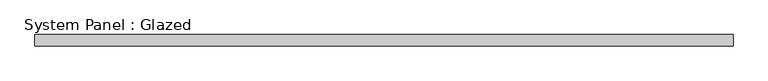
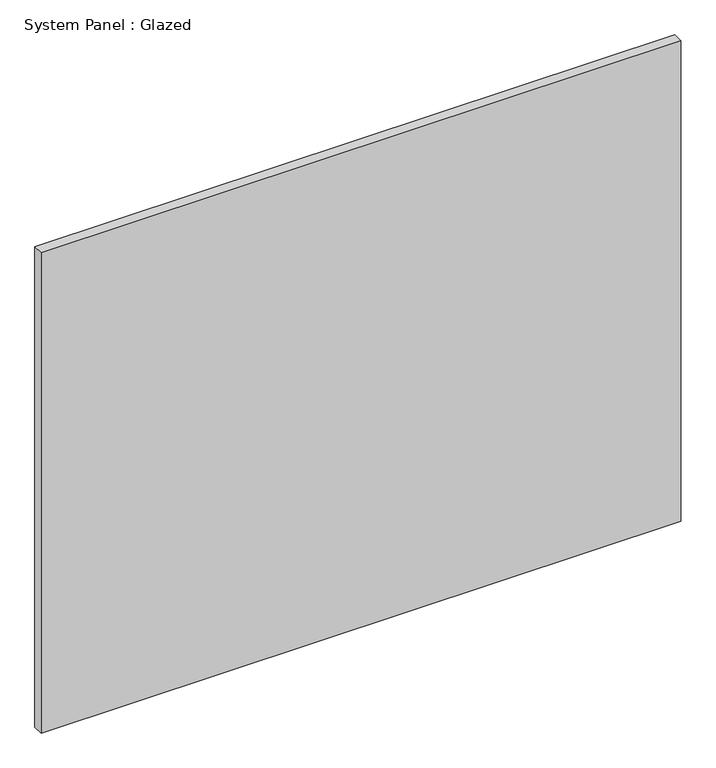
"""IFC4 building model written with IfcOpenShell, lengths in millimetres: plate geometry, System Panel : Glazed."""

from ifc_helpers import new_model, si_unit, origin, origin_with_axes, place, context, project, spatial, polyline, outline, extrude, source, transform, mapped, element, save


def system_panel_glazed_4ad6d596(model_context):
    return source(origin(), model_context, "Body", "SweptSolid", [
        extrude(outline(polyline([(768.35, 19.05), (-768.35, 19.05), (-768.35, 44.45), (768.35, 44.45), (768.35, 19.05)])), origin_with_axes(), (0.0, 0.0, 1.0), 1219.2),
    ])


if __name__ == "__main__":
    model = new_model("IFC4")
    model_context = context("Model", 3, world=origin())
    ifc_project = project(units=[si_unit("LENGTHUNIT", "METRE", prefix="MILLI")], contexts=[model_context])
    site = spatial("IfcSite", under=ifc_project)
    building = spatial("IfcBuilding", under=site)
    placement = place(None, origin())
    system_panel_glazed_shape = system_panel_glazed_4ad6d596(model_context)
    element("IfcPlate", 1, ObjectType="System Panel : Glazed", at=placement, inside=building, context=model_context, shape_type="MappedRepresentation", body=[
        mapped(system_panel_glazed_shape, transform((0.0, 0.0, 0.0), x_axis=(1.0, 0.0, 0.0), y_axis=(0.0, 1.0, 0.0), z_axis=(0.0, 0.0, 1.0))),
    ])
    save(model, "model.ifc")
